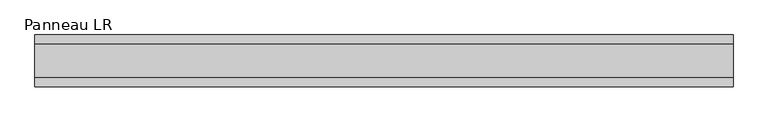
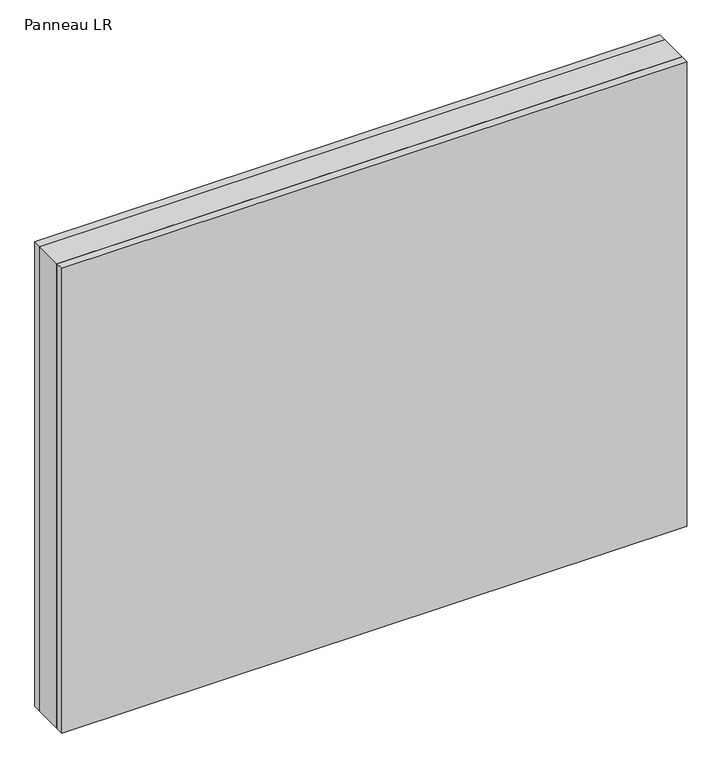
"""IFC4 building model written with IfcOpenShell, lengths in millimetres: plate geometry, Panneau LR."""

from ifc_helpers import new_model, si_unit, origin, origin_with_axes, place, context, project, spatial, polyline, outline, extrude, source, transform, mapped, element, save


def panneau_lr_d0f7d3a3(model_context):
    return source(origin(), model_context, "Body", "SweptSolid", [
        extrude(outline(polyline([(606.6875001, 29.0), (606.6875001, -29.0), (-606.6875001, -29.0), (-606.6875001, 29.0), (606.6875001, 29.0)])), origin_with_axes(), (0.0, 0.0, 1.0), 953.5),
        extrude(outline(polyline([(606.6875001, 45.0), (606.6875001, 29.0), (-606.6875001, 29.0), (-606.6875001, 45.0), (606.6875001, 45.0)])), origin_with_axes(), (0.0, 0.0, 1.0), 953.5),
        extrude(outline(polyline([(-606.6875001, -45.0), (-606.6875001, -29.0), (606.6875001, -29.0), (606.6875001, -45.0), (-606.6875001, -45.0)])), origin_with_axes(), (0.0, 0.0, 1.0), 953.5),
    ])


if __name__ == "__main__":
    model = new_model("IFC4")
    model_context = context("Model", 3, world=origin())
    ifc_project = project(units=[si_unit("LENGTHUNIT", "METRE", prefix="MILLI")], contexts=[model_context])
    site = spatial("IfcSite", under=ifc_project)
    building = spatial("IfcBuilding", under=site)
    placement = place(None, origin())
    panneau_lr_shape = panneau_lr_d0f7d3a3(model_context)
    element("IfcPlate", 1, ObjectType="Panneau LR", at=placement, inside=building, context=model_context, shape_type="MappedRepresentation", body=[
        mapped(panneau_lr_shape, transform((0.0, 0.0, 0.0), x_axis=(1.0, 0.0, 0.0), y_axis=(0.0, 1.0, 0.0), z_axis=(0.0, 0.0, 1.0))),
    ])
    save(model, "model.ifc")
